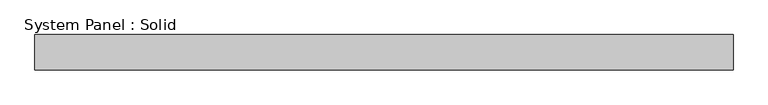
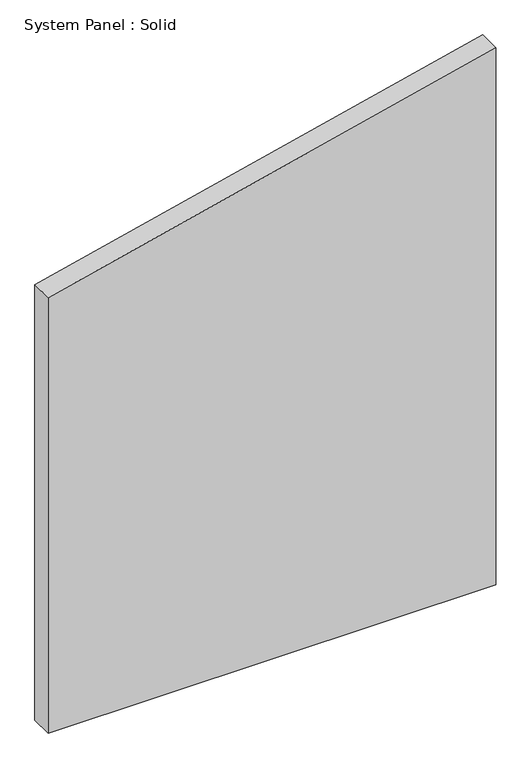
"""IFC4 building model written with IfcOpenShell, lengths in millimetres: plate geometry, System Panel : Solid."""

from ifc_helpers import new_model, si_unit, frame, origin, place, context, project, spatial, polyline, outline, extrude, source, transform, mapped, element, save


def system_panel_solid_b93e2f6c(model_context):
    return source(origin(), model_context, "Body", "SweptSolid", [
        extrude(outline(polyline([(0.0, -591.6382567), (0.0, 591.6382567), (1500.0, 591.6382567), (1216.7113048, -591.6382567), (0.0, -591.6382567)])), frame((0.0, -10.5, 0.0), z_axis=(0.0, 1.0, 0.0), x_axis=(0.0, 0.0, 1.0)), (0.0, 0.0, 1.0), 60.0),
    ])


if __name__ == "__main__":
    model = new_model("IFC4")
    model_context = context("Model", 3, world=origin())
    ifc_project = project(units=[si_unit("LENGTHUNIT", "METRE", prefix="MILLI")], contexts=[model_context])
    site = spatial("IfcSite", under=ifc_project)
    building = spatial("IfcBuilding", under=site)
    placement = place(None, origin())
    system_panel_solid_shape = system_panel_solid_b93e2f6c(model_context)
    element("IfcPlate", 1, ObjectType="System Panel : Solid", at=placement, inside=building, context=model_context, shape_type="MappedRepresentation", body=[
        mapped(system_panel_solid_shape, transform((0.0, 0.0, 0.0), x_axis=(1.0, 0.0, 0.0), y_axis=(0.0, 1.0, 0.0), z_axis=(0.0, 0.0, 1.0))),
    ])
    save(model, "model.ifc")
